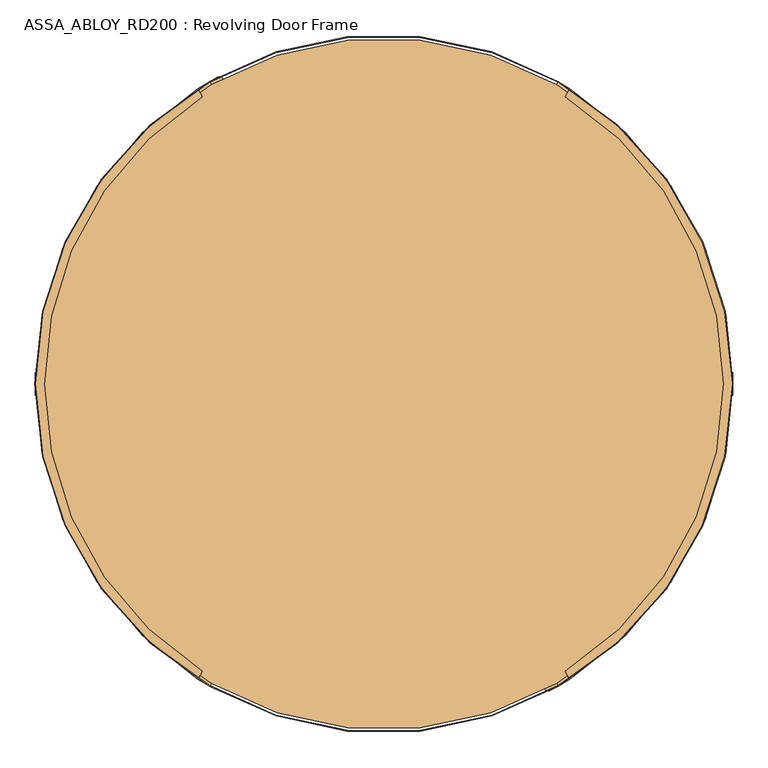
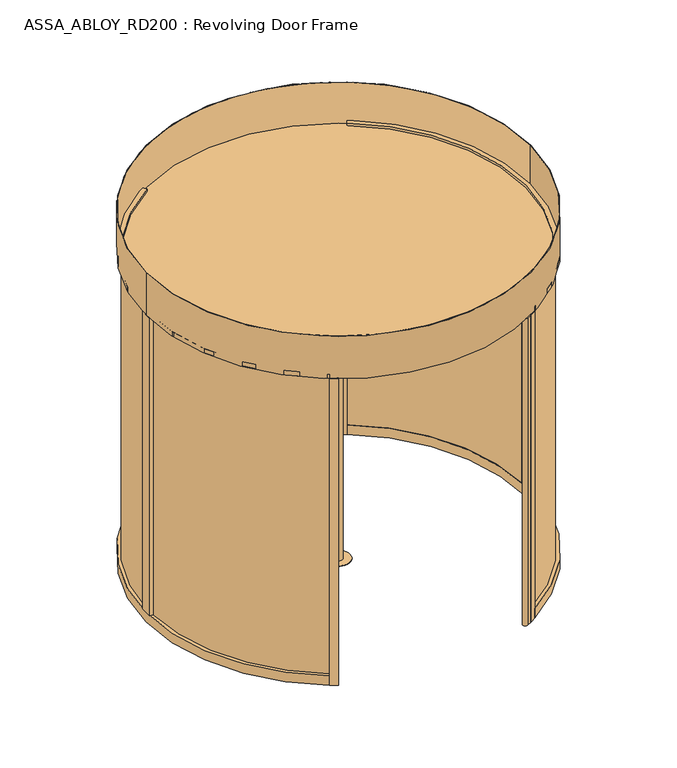
"""IFC4 building model written with IfcOpenShell, lengths in millimetres: door geometry, ASSA_ABLOY_RD200 : Revolving Door Frame."""

from ifc_helpers import new_model, si_unit, point, frame, frame_2d, origin, origin_with_axes, origin_2d, place, context, project, spatial, polyline, circle_curve, trimmed, segment, composite_curve, outline, extrude, source, transform, mapped, element, save


def assa_abloy_rd200_revolving_door_frame_5eb4bf05(model_context):
    return source(origin(), model_context, "Body", "SweptSolid", [
        extrude(outline(polyline([(28.0, -1415.4407922), (47.8848654, -1422.768158), (47.8848654, -1426.3412198), (28.0, -1433.6685856), (28.0, -1430.8463846), (33.6340452, -1428.842363), (33.6340452, -1420.2721931), (28.0, -1418.2681716), (28.0, -1415.4407922)]), holes=[polyline([(35.9539462, -1421.126621), (35.9539462, -1428.0034703), (45.4562191, -1424.5546889), (35.9539462, -1421.126621)])]), frame((0.0, -22.0, 0.0), z_axis=(0.0, 1.0, 0.0), x_axis=(0.0, 0.0, 1.0)), (0.0, 0.0, 1.0), 2.0),
        extrude(outline(polyline([(33.6858287, -1397.8758278), (36.999973, -1399.0383674), (38.7709688, -1402.505273), (39.3172847, -1405.2731013), (39.7703904, -1407.7923687), (40.8500765, -1410.1355723), (42.794547, -1410.8009903), (45.0290052, -1409.4442625), (45.8963789, -1405.8556657), (45.2361392, -1401.8761034), (43.5764779, -1398.5386566), (46.7870552, -1398.5386566), (47.804601, -1401.7466447), (48.2162799, -1405.7262069), (46.6239371, -1411.269631), (42.5408079, -1413.4523057), (39.0195296, -1412.1292372), (37.1087183, -1408.061643), (36.6685585, -1405.4931812), (36.2283987, -1403.2405988), (35.2574581, -1401.1977395), (33.3129875, -1400.5271432), (30.8946979, -1401.9330653), (29.9884865, -1405.8660224), (30.6772071, -1409.6772883), (32.6398019, -1413.4523057), (29.2790525, -1413.4523057), (28.0750861, -1409.9051357), (27.6685856, -1405.9747678), (28.147583, -1402.4949163), (29.4810082, -1399.9678813), (31.3944087, -1398.4247329), (33.6858287, -1397.8758278)])), frame((0.0, -22.0, 0.0), z_axis=(0.0, 1.0, 0.0), x_axis=(0.0, 0.0, 1.0)), (0.0, 0.0, 1.0), 2.0),
        extrude(outline(polyline([(33.6858287, -1378.9852056), (36.999973, -1380.1477453), (38.7709688, -1383.6146508), (39.3172847, -1386.3824791), (39.7703904, -1388.9017466), (40.8500765, -1391.2449501), (42.794547, -1391.9103681), (45.0290052, -1390.5536403), (45.8963789, -1386.9650435), (45.2361392, -1382.9854813), (43.5764779, -1379.6480344), (46.7870552, -1379.6480344), (47.804601, -1382.8560225), (48.2162799, -1386.8355848), (46.6239371, -1392.3790088), (42.5408079, -1394.5616835), (39.0195296, -1393.238615), (37.1087183, -1389.1710208), (36.6685585, -1386.602559), (36.2283987, -1384.3499766), (35.2574581, -1382.3071174), (33.3129875, -1381.636521), (30.8946979, -1383.0424431), (29.9884865, -1386.9754002), (30.6772071, -1390.7866661), (32.6398019, -1394.5616835), (29.2790525, -1394.5616835), (28.0750861, -1391.0145135), (27.6685856, -1387.0841456), (28.147583, -1383.6042941), (29.4810082, -1381.0772591), (31.3944087, -1379.5341107), (33.6858287, -1378.9852056)])), frame((0.0, -22.0, 0.0), z_axis=(0.0, 1.0, 0.0), x_axis=(0.0, 0.0, 1.0)), (0.0, 0.0, 1.0), 2.0),
        extrude(outline(polyline([(28.0, -1358.7689257), (47.8848654, -1366.0962915), (47.8848654, -1369.6693533), (28.0, -1376.996719), (28.0, -1374.1745181), (33.6340452, -1372.1704965), (33.6340452, -1363.6003266), (28.0, -1361.596305), (28.0, -1358.7689257)]), holes=[polyline([(35.9539462, -1364.4547544), (35.9539462, -1371.3316037), (45.4562191, -1367.8828224), (35.9539462, -1364.4547544)])]), frame((0.0, -22.0, 0.0), z_axis=(0.0, 1.0, 0.0), x_axis=(0.0, 0.0, 1.0)), (0.0, 0.0, 1.0), 2.0),
        extrude(outline(polyline([(28.0, -1330.2672852), (47.8848654, -1337.594651), (47.8848654, -1341.1677128), (28.0, -1348.4950786), (28.0, -1345.6728776), (33.6340452, -1343.668856), (33.6340452, -1335.0986861), (28.0, -1333.0946645), (28.0, -1330.2672852)]), holes=[polyline([(35.9539462, -1335.953114), (35.9539462, -1342.8299633), (45.4562191, -1339.3811819), (35.9539462, -1335.953114)])]), frame((0.0, -22.0, 0.0), z_axis=(0.0, 1.0, 0.0), x_axis=(0.0, 0.0, 1.0)), (0.0, 0.0, 1.0), 2.0),
        extrude(outline(polyline([(34.1311668, -1312.0394919), (37.561824, -1313.2097991), (39.4441543, -1316.4100196), (41.0597997, -1314.4370681), (43.4521975, -1313.696564), (45.5960346, -1314.2014532), (47.0615077, -1315.824866), (47.7269258, -1317.9402222), (47.8848654, -1321.2673123), (47.8848654, -1327.2845554), (28.0, -1327.2845554), (28.0, -1320.1177185), (28.3754304, -1316.6482237), (29.6311804, -1314.1419022), (31.5083324, -1312.6091105), (34.1311668, -1312.0394919)]), holes=[polyline([(41.5595105, -1317.6631804), (39.9309193, -1321.0498216), (39.9309193, -1324.63324), (45.5649645, -1324.63324), (45.5649645, -1321.3294525), (45.4795217, -1319.0069623), (41.5595105, -1317.6631804)]), polyline([(34.0172431, -1314.6908073), (32.3187442, -1315.0507027), (31.148437, -1316.1821722), (30.4985541, -1318.0645026), (30.319901, -1321.0083948), (30.319901, -1324.63324), (37.6110183, -1324.63324), (37.6110183, -1320.3352092), (37.5126296, -1318.0308433), (37.0828266, -1316.4203763), (35.8995735, -1315.0636485), (34.0172431, -1314.6908073)])]), frame((0.0, -22.0, 0.0), z_axis=(0.0, 1.0, 0.0), x_axis=(0.0, 0.0, 1.0)), (0.0, 0.0, 1.0), 2.0),
        extrude(outline(polyline([(28.0, -1295.8001851), (30.319901, -1295.8001851), (30.319901, -1305.7426179), (47.8848654, -1305.7426179), (47.8848654, -1308.3939332), (28.0, -1308.3939332), (28.0, -1295.8001851)])), frame((0.0, -22.0, 0.0), z_axis=(0.0, 1.0, 0.0), x_axis=(0.0, 0.0, 1.0)), (0.0, 0.0, 1.0), 2.0),
        extrude(outline(polyline([(45.5390727, -1278.3905712), (47.5197917, -1281.2464314), (48.2162799, -1285.0343947), (47.5275593, -1288.7861095), (45.5390727, -1291.6678615), (42.2611769, -1293.5113543), (37.9372544, -1294.143113), (33.5770834, -1293.5035867), (30.3561494, -1291.6782182), (28.3573062, -1288.7990554), (27.6685856, -1285.0343947), (28.3443603, -1281.2593773), (30.3561494, -1278.3905712), (33.571905, -1276.5677918), (37.9372544, -1275.9153197), (42.292247, -1276.554846), (45.5390727, -1278.3905712)]), holes=[polyline([(37.9372544, -1278.5666351), (32.0339349, -1280.3169175), (29.9884865, -1285.024038), (32.0339349, -1289.7337477), (37.9372544, -1291.4917976), (43.8250388, -1289.7674069), (45.8963789, -1285.024038), (43.8250388, -1280.2962041), (37.9372544, -1278.5666351)])]), frame((0.0, -22.0, 0.0), z_axis=(0.0, 1.0, 0.0), x_axis=(0.0, 0.0, 1.0)), (0.0, 0.0, 1.0), 2.0),
        extrude(outline(polyline([(47.8848654, -1257.0246975), (47.8848654, -1260.1938479), (38.9884595, -1265.6259375), (47.8848654, -1271.1149889), (47.8848654, -1274.2582476), (36.4407111, -1266.9671302), (28.0, -1266.9671302), (28.0, -1264.3158148), (36.720342, -1264.3158148), (47.8848654, -1257.0246975)])), frame((0.0, -22.0, 0.0), z_axis=(0.0, 1.0, 0.0), x_axis=(0.0, 0.0, 1.0)), (0.0, 0.0, 1.0), 2.0),
        extrude(outline(polyline([(28.0, -1275.9153197), (28.0, -1273.0879404), (33.6340452, -1271.0839188), (33.6340452, -1262.5137489), (28.0, -1260.5097273), (28.0, -1257.6875264), (47.8848654, -1265.0148921), (47.8848654, -1268.5879539), (28.0, -1275.9153197)]), holes=[polyline([(35.9539462, -1270.229491), (45.4562191, -1266.801423), (35.9539462, -1263.3526417), (35.9539462, -1270.229491)])]), frame((0.0, 20.0, 0.0), z_axis=(0.0, 1.0, 0.0), x_axis=(0.0, 0.0, 1.0)), (0.0, 0.0, 1.0), 2.0),
        extrude(outline(polyline([(33.6858287, -1293.4802842), (31.3944087, -1292.931379), (29.4810082, -1291.3882306), (28.147583, -1288.8611956), (27.6685856, -1285.3813442), (28.0750861, -1281.4509762), (29.2790525, -1277.9038062), (32.6398019, -1277.9038062), (30.6772071, -1281.6788237), (29.9884865, -1285.4900895), (30.8946979, -1289.4230466), (33.3129875, -1290.8289688), (35.2574581, -1290.1583724), (36.2283987, -1288.1155132), (36.6685585, -1285.8629308), (37.1087183, -1283.294469), (39.0195296, -1279.2268747), (42.5408079, -1277.9038062), (46.6239371, -1280.0864809), (48.2162799, -1285.629905), (47.804601, -1289.6094673), (46.7870552, -1292.8174553), (43.5764779, -1292.8174553), (45.2361392, -1289.4800085), (45.8963789, -1285.5004462), (45.0290052, -1281.9118494), (42.794547, -1280.5551216), (40.8500765, -1281.2205396), (39.7703904, -1283.5637432), (39.3172847, -1286.0830106), (38.7709688, -1288.8508389), (36.999973, -1292.3177445), (33.6858287, -1293.4802842)])), frame((0.0, 20.0, 0.0), z_axis=(0.0, 1.0, 0.0), x_axis=(0.0, 0.0, 1.0)), (0.0, 0.0, 1.0), 2.0),
        extrude(outline(polyline([(33.6858287, -1312.3709063), (31.3944087, -1311.8220012), (29.4810082, -1310.2788528), (28.147583, -1307.7518178), (27.6685856, -1304.2719663), (28.0750861, -1300.3415984), (29.2790525, -1296.7944284), (32.6398019, -1296.7944284), (30.6772071, -1300.5694458), (29.9884865, -1304.3807117), (30.8946979, -1308.3136688), (33.3129875, -1309.7195909), (35.2574581, -1309.0489946), (36.2283987, -1307.0061353), (36.6685585, -1304.7535529), (37.1087183, -1302.1850911), (39.0195296, -1298.1174969), (42.5408079, -1296.7944284), (46.6239371, -1298.9771031), (48.2162799, -1304.5205272), (47.804601, -1308.5000894), (46.7870552, -1311.7080775), (43.5764779, -1311.7080775), (45.2361392, -1308.3706307), (45.8963789, -1304.3910684), (45.0290052, -1300.8024716), (42.794547, -1299.4457438), (40.8500765, -1300.1111618), (39.7703904, -1302.4543654), (39.3172847, -1304.9736328), (38.7709688, -1307.7414611), (36.999973, -1311.2083667), (33.6858287, -1312.3709063)])), frame((0.0, 20.0, 0.0), z_axis=(0.0, 1.0, 0.0), x_axis=(0.0, 0.0, 1.0)), (0.0, 0.0, 1.0), 2.0),
        extrude(outline(polyline([(28.0, -1332.5871862), (28.0, -1329.7598069), (33.6340452, -1327.7557853), (33.6340452, -1319.1856154), (28.0, -1317.1815938), (28.0, -1314.3593929), (47.8848654, -1321.6867587), (47.8848654, -1325.2598204), (28.0, -1332.5871862)]), holes=[polyline([(35.9539462, -1326.9013575), (45.4562191, -1323.4732895), (35.9539462, -1320.0245082), (35.9539462, -1326.9013575)])]), frame((0.0, 20.0, 0.0), z_axis=(0.0, 1.0, 0.0), x_axis=(0.0, 0.0, 1.0)), (0.0, 0.0, 1.0), 2.0),
        extrude(outline(polyline([(28.0, -1361.0888267), (28.0, -1358.2614474), (33.6340452, -1356.2574258), (33.6340452, -1347.6872559), (28.0, -1345.6832343), (28.0, -1342.8610334), (47.8848654, -1350.1883991), (47.8848654, -1353.7614609), (28.0, -1361.0888267)]), holes=[polyline([(35.9539462, -1355.402998), (45.4562191, -1351.97493), (35.9539462, -1348.5261487), (35.9539462, -1355.402998)])]), frame((0.0, 20.0, 0.0), z_axis=(0.0, 1.0, 0.0), x_axis=(0.0, 0.0, 1.0)), (0.0, 0.0, 1.0), 2.0),
        extrude(outline(polyline([(34.1311668, -1379.31662), (31.5083324, -1378.7470015), (29.6311804, -1377.2142098), (28.3754304, -1374.7078882), (28.0, -1371.2383934), (28.0, -1364.0715565), (47.8848654, -1364.0715565), (47.8848654, -1370.0887996), (47.7269258, -1373.4158898), (47.0615077, -1375.5312459), (45.5960346, -1377.1546587), (43.4521975, -1377.6595479), (41.0597997, -1376.9190438), (39.4441543, -1374.9460923), (37.561824, -1378.1463128), (34.1311668, -1379.31662)]), holes=[polyline([(41.5595105, -1373.6929315), (45.4795217, -1372.3491496), (45.5649645, -1370.0266594), (45.5649645, -1366.7228719), (39.9309193, -1366.7228719), (39.9309193, -1370.3062904), (41.5595105, -1373.6929315)]), polyline([(34.0172431, -1376.6653046), (35.8995735, -1376.2924634), (37.0828266, -1374.9357356), (37.5126296, -1373.3252686), (37.6110183, -1371.0209027), (37.6110183, -1366.7228719), (30.319901, -1366.7228719), (30.319901, -1370.3477172), (30.4985541, -1373.2916094), (31.148437, -1375.1739397), (32.3187442, -1376.3054093), (34.0172431, -1376.6653046)])]), frame((0.0, 20.0, 0.0), z_axis=(0.0, 1.0, 0.0), x_axis=(0.0, 0.0, 1.0)), (0.0, 0.0, 1.0), 2.0),
        extrude(outline(polyline([(28.0, -1395.5559268), (28.0, -1382.9621787), (47.8848654, -1382.9621787), (47.8848654, -1385.6134941), (30.319901, -1385.6134941), (30.319901, -1395.5559268), (28.0, -1395.5559268)])), frame((0.0, 20.0, 0.0), z_axis=(0.0, 1.0, 0.0), x_axis=(0.0, 0.0, 1.0)), (0.0, 0.0, 1.0), 2.0),
        extrude(outline(polyline([(45.5390727, -1412.9655408), (42.292247, -1414.801266), (37.9372544, -1415.4407922), (33.571905, -1414.7883201), (30.3561494, -1412.9655408), (28.3443603, -1410.0967347), (27.6685856, -1406.3217172), (28.3573062, -1402.5570565), (30.3561494, -1399.6778937), (33.5770834, -1397.8525252), (37.9372544, -1397.2129989), (42.2611769, -1397.8447577), (45.5390727, -1399.6882504), (47.5275593, -1402.5700024), (48.2162799, -1406.3217172), (47.5197917, -1410.1096805), (45.5390727, -1412.9655408)]), holes=[polyline([(37.9372544, -1412.7894769), (43.8250388, -1411.0599078), (45.8963789, -1406.3320739), (43.8250388, -1401.588705), (37.9372544, -1399.8643143), (32.0339349, -1401.6223643), (29.9884865, -1406.3320739), (32.0339349, -1411.0391944), (37.9372544, -1412.7894769)])]), frame((0.0, 20.0, 0.0), z_axis=(0.0, 1.0, 0.0), x_axis=(0.0, 0.0, 1.0)), (0.0, 0.0, 1.0), 2.0),
        extrude(outline(polyline([(47.8848654, -1434.3314144), (36.720342, -1427.0402971), (28.0, -1427.0402971), (28.0, -1424.3889817), (36.4407111, -1424.3889817), (47.8848654, -1417.0978644), (47.8848654, -1420.241123), (38.9884595, -1425.7301744), (47.8848654, -1431.162264), (47.8848654, -1434.3314144)])), frame((0.0, 20.0, 0.0), z_axis=(0.0, 1.0, 0.0), x_axis=(0.0, 0.0, 1.0)), (0.0, 0.0, 1.0), 2.0),
        extrude(outline(composite_curve([segment(polyline([(-750.0, 1299.0381057), (-770.0, 1333.6791218)]), True, "CONTINUOUS"), segment(trimmed(circle_curve(origin_2d(), 1540.0), [point((-770.0, 1333.6791218))], [point((-735.0991998, 1353.2291626))], False, "CARTESIAN"), True, "CONTINUOUS"), segment(trimmed(circle_curve(frame_2d((-725.5459259, 1335.642735)), 20.0136823), [point((-735.0991998, 1353.2291626))], [point((-715.0922698, 1318.5761433))], False, "CARTESIAN"), True, "CONTINUOUS"), segment(trimmed(circle_curve(origin_2d(), 1500.0), [point((-715.0922698, 1318.5761433))], [point((-750.0, 1299.0381057))], True, "CARTESIAN"), True, "CONTINUOUS")], self_intersect=False)), origin_with_axes(), (0.0, 0.0, 1.0), 2600.0),
        extrude(outline(composite_curve([segment(polyline([(750.0, -1299.0381057), (770.0, -1333.6791218)]), True, "CONTINUOUS"), segment(trimmed(circle_curve(origin_2d(), 1540.0), [point((770.0, -1333.6791218))], [point((735.0991998, -1353.2291626))], False, "CARTESIAN"), True, "CONTINUOUS"), segment(trimmed(circle_curve(frame_2d((725.5459259, -1335.642735)), 20.0136823), [point((735.0991998, -1353.2291626))], [point((715.0922698, -1318.5761433))], False, "CARTESIAN"), True, "CONTINUOUS"), segment(trimmed(circle_curve(origin_2d(), 1500.0), [point((715.0922698, -1318.5761433))], [point((750.0, -1299.0381057))], True, "CARTESIAN"), True, "CONTINUOUS")], self_intersect=False)), origin_with_axes(), (0.0, 0.0, 1.0), 2600.0),
        extrude(outline(composite_curve([segment(trimmed(circle_curve(origin_2d(), 1526.0), [point((-1526.0, 0.0))], [point((1526.0, 0.0))], False, "CARTESIAN"), True, "CONTINUOUS"), segment(trimmed(circle_curve(origin_2d(), 1526.0), [point((1526.0, 0.0))], [point((-1526.0, 0.0))], False, "CARTESIAN"), True, "CONTINUOUS")], self_intersect=False)), frame((0.0, 0.0, 2600.0), z_axis=(0.0, 0.0, 1.0), x_axis=(1.0, 0.0, 0.0)), (0.0, 0.0, 1.0), 16.0),
        extrude(outline(composite_curve([segment(polyline([(-821.3768867, 1302.4599245), (-801.361284, 1267.7918838)]), True, "CONTINUOUS"), segment(trimmed(circle_curve(frame_2d((0.0, -0.2065754)), 1500.0), [point((-801.361284, 1267.7918838))], [point((-801.361284, -1268.2050346))], True, "CARTESIAN"), True, "CONTINUOUS"), segment(polyline([(-801.361284, -1268.2050346), (-821.3768867, -1302.8730753)]), True, "CONTINUOUS"), segment(trimmed(circle_curve(frame_2d((0.0, -0.2065754)), 1540.0), [point((-821.3768867, -1302.8730753))], [point((-821.3768867, 1302.4599245))], False, "CARTESIAN"), True, "CONTINUOUS")], self_intersect=False)), frame((0.0, 0.0, 2603.0), z_axis=(0.0, 0.0, 1.0), x_axis=(1.0, 0.0, 0.0)), (0.0, 0.0, 1.0), 35.0),
        extrude(outline(composite_curve([segment(polyline([(-821.3768867, -1302.8730753), (-801.361284, -1268.2050346)]), True, "CONTINUOUS"), segment(trimmed(circle_curve(frame_2d((0.0, -0.2065754)), 1500.0), [point((-801.361284, -1268.2050346))], [point((-750.0, -1299.2446811))], True, "CARTESIAN"), True, "CONTINUOUS"), segment(polyline([(-750.0, -1299.2446811), (-770.0, -1333.8856972)]), True, "CONTINUOUS"), segment(trimmed(circle_curve(frame_2d((0.0, -0.2065754)), 1540.0), [point((-770.0, -1333.8856972))], [point((-821.3768867, -1302.8730753))], False, "CARTESIAN"), True, "CONTINUOUS")], self_intersect=False)), frame((0.0, 0.0, 3.0), z_axis=(0.0, 0.0, 1.0), x_axis=(1.0, 0.0, 0.0)), (0.0, 0.0, 1.0), 2600.0),
        extrude(outline(composite_curve([segment(polyline([(-770.0, 1333.4725464), (-750.0, 1298.8315303)]), True, "CONTINUOUS"), segment(trimmed(circle_curve(frame_2d((0.0, -0.2065754)), 1500.0), [point((-750.0, 1298.8315303))], [point((-801.361284, 1267.7918838))], True, "CARTESIAN"), True, "CONTINUOUS"), segment(polyline([(-801.361284, 1267.7918838), (-821.3768867, 1302.4599245)]), True, "CONTINUOUS"), segment(trimmed(circle_curve(frame_2d((0.0, -0.2065754)), 1540.0), [point((-821.3768867, 1302.4599245))], [point((-770.0, 1333.4725464))], False, "CARTESIAN"), True, "CONTINUOUS")], self_intersect=False)), frame((0.0, 0.0, 3.0), z_axis=(0.0, 0.0, 1.0), x_axis=(1.0, 0.0, 0.0)), (0.0, 0.0, 1.0), 2600.0),
        extrude(outline(composite_curve([segment(polyline([(-1512.1736011, -50.2065754), (-1504.1692059, -50.2065754)]), True, "CONTINUOUS"), segment(trimmed(circle_curve(frame_2d((0.0, -0.2065754)), 1505.0), [point((-1504.1692059, -50.2065754))], [point((-803.8632798, -1272.5386183))], True, "CARTESIAN"), True, "CONTINUOUS"), segment(polyline([(-803.8632798, -1272.5386183), (-807.8664455, -1279.4723047)]), True, "CONTINUOUS"), segment(trimmed(circle_curve(frame_2d((0.0, -0.2065754)), 1513.0), [point((-807.8664455, -1279.4723047))], [point((-1512.1736011, -50.2065754))], False, "CARTESIAN"), True, "CONTINUOUS")], self_intersect=False)), frame((0.0, 0.0, 83.0), z_axis=(0.0, 0.0, 1.0), x_axis=(1.0, 0.0, 0.0)), (0.0, 0.0, 1.0), 2520.0),
        extrude(outline(composite_curve([segment(polyline([(-807.8664455, 1279.0591539), (-803.8632798, 1272.1254675)]), True, "CONTINUOUS"), segment(trimmed(circle_curve(frame_2d((0.0, -0.2065754)), 1505.0), [point((-803.8632798, 1272.1254675))], [point((-1504.1692059, 49.7934246))], True, "CARTESIAN"), True, "CONTINUOUS"), segment(polyline([(-1504.1692059, 49.7934246), (-1512.1736011, 49.7934246)]), True, "CONTINUOUS"), segment(trimmed(circle_curve(frame_2d((0.0, -0.2065754)), 1513.0), [point((-1512.1736011, 49.7934246))], [point((-807.8664455, 1279.0591539))], False, "CARTESIAN"), True, "CONTINUOUS")], self_intersect=False)), frame((0.0, 0.0, 83.0), z_axis=(0.0, 0.0, 1.0), x_axis=(1.0, 0.0, 0.0)), (0.0, 0.0, 1.0), 2520.0),
        extrude(outline(polyline([(-1540.0, -50.2065754), (-1540.0, 49.7934246), (-1500.0, 49.7934246), (-1500.0, -50.2065754), (-1540.0, -50.2065754)])), frame((0.0, 0.0, 83.0), z_axis=(0.0, 0.0, 1.0), x_axis=(1.0, 0.0, 0.0)), (0.0, 0.0, 1.0), 2520.0),
        extrude(outline(composite_curve([segment(polyline([(-821.3768867, 1302.4599245), (-801.361284, 1267.7918838)]), True, "CONTINUOUS"), segment(trimmed(circle_curve(frame_2d((0.0, -0.2065754)), 1500.0), [point((-801.361284, 1267.7918838))], [point((-801.361284, -1268.2050346))], True, "CARTESIAN"), True, "CONTINUOUS"), segment(polyline([(-801.361284, -1268.2050346), (-821.3768867, -1302.8730753)]), True, "CONTINUOUS"), segment(trimmed(circle_curve(frame_2d((0.0, -0.2065754)), 1540.0), [point((-821.3768867, -1302.8730753))], [point((-821.3768867, 1302.4599245))], False, "CARTESIAN"), True, "CONTINUOUS")], self_intersect=False)), frame((0.0, 0.0, 3.0), z_axis=(0.0, 0.0, 1.0), x_axis=(1.0, 0.0, 0.0)), (0.0, 0.0, 1.0), 80.0),
        extrude(outline(composite_curve([segment(trimmed(circle_curve(origin_2d(), 1540.0), [point((821.3768867, 1302.6664999))], [point((821.3768867, -1302.6664999))], False, "CARTESIAN"), True, "CONTINUOUS"), segment(polyline([(821.3768867, -1302.6664999), (801.361284, -1267.9984592)]), True, "CONTINUOUS"), segment(trimmed(circle_curve(origin_2d(), 1500.0), [point((801.361284, -1267.9984592))], [point((801.361284, 1267.9984592))], True, "CARTESIAN"), True, "CONTINUOUS"), segment(polyline([(801.361284, 1267.9984592), (821.3768867, 1302.6664999)]), True, "CONTINUOUS")], self_intersect=False)), frame((0.0, 0.0, 2600.0), z_axis=(0.0, 0.0, 1.0), x_axis=(1.0, 0.0, 0.0)), (0.0, 0.0, 1.0), 35.0),
        extrude(outline(composite_curve([segment(trimmed(circle_curve(origin_2d(), 1540.0), [point((821.3768867, -1302.6664999))], [point((770.0, -1333.6791218))], False, "CARTESIAN"), True, "CONTINUOUS"), segment(polyline([(770.0, -1333.6791218), (750.0, -1299.0381057)]), True, "CONTINUOUS"), segment(trimmed(circle_curve(origin_2d(), 1500.0), [point((750.0, -1299.0381057))], [point((801.361284, -1267.9984592))], True, "CARTESIAN"), True, "CONTINUOUS"), segment(polyline([(801.361284, -1267.9984592), (821.3768867, -1302.6664999)]), True, "CONTINUOUS")], self_intersect=False)), origin_with_axes(), (0.0, 0.0, 1.0), 2600.0),
        extrude(outline(composite_curve([segment(trimmed(circle_curve(origin_2d(), 1540.0), [point((770.0, 1333.6791218))], [point((821.3768867, 1302.6664999))], False, "CARTESIAN"), True, "CONTINUOUS"), segment(polyline([(821.3768867, 1302.6664999), (801.361284, 1267.9984592)]), True, "CONTINUOUS"), segment(trimmed(circle_curve(origin_2d(), 1500.0), [point((801.361284, 1267.9984592))], [point((750.0, 1299.0381057))], True, "CARTESIAN"), True, "CONTINUOUS"), segment(polyline([(750.0, 1299.0381057), (770.0, 1333.6791218)]), True, "CONTINUOUS")], self_intersect=False)), origin_with_axes(), (0.0, 0.0, 1.0), 2600.0),
        extrude(outline(composite_curve([segment(trimmed(circle_curve(origin_2d(), 1513.0), [point((1512.1736011, -50.0))], [point((807.8664455, -1279.2657293))], False, "CARTESIAN"), True, "CONTINUOUS"), segment(polyline([(807.8664455, -1279.2657293), (803.8632798, -1272.3320429)]), True, "CONTINUOUS"), segment(trimmed(circle_curve(origin_2d(), 1505.0), [point((803.8632798, -1272.3320429))], [point((1504.1692059, -50.0))], True, "CARTESIAN"), True, "CONTINUOUS"), segment(polyline([(1504.1692059, -50.0), (1512.1736011, -50.0)]), True, "CONTINUOUS")], self_intersect=False)), frame((0.0, 0.0, 80.0), z_axis=(0.0, 0.0, 1.0), x_axis=(1.0, 0.0, 0.0)), (0.0, 0.0, 1.0), 2520.0),
        extrude(outline(composite_curve([segment(trimmed(circle_curve(origin_2d(), 1513.0), [point((807.8664455, 1279.2657293))], [point((1512.1736011, 50.0))], False, "CARTESIAN"), True, "CONTINUOUS"), segment(polyline([(1512.1736011, 50.0), (1504.1692059, 50.0)]), True, "CONTINUOUS"), segment(trimmed(circle_curve(origin_2d(), 1505.0), [point((1504.1692059, 50.0))], [point((803.8632798, 1272.3320429))], True, "CARTESIAN"), True, "CONTINUOUS"), segment(polyline([(803.8632798, 1272.3320429), (807.8664455, 1279.2657293)]), True, "CONTINUOUS")], self_intersect=False)), frame((0.0, 0.0, 80.0), z_axis=(0.0, 0.0, 1.0), x_axis=(1.0, 0.0, 0.0)), (0.0, 0.0, 1.0), 2520.0),
        extrude(outline(polyline([(1540.0, -50.0), (1500.0, -50.0), (1500.0, 50.0), (1540.0, 50.0), (1540.0, -50.0)])), frame((0.0, 0.0, 80.0), z_axis=(0.0, 0.0, 1.0), x_axis=(1.0, 0.0, 0.0)), (0.0, 0.0, 1.0), 2520.0),
        extrude(outline(composite_curve([segment(trimmed(circle_curve(origin_2d(), 1540.0), [point((821.3768867, 1302.6664999))], [point((821.3768867, -1302.6664999))], False, "CARTESIAN"), True, "CONTINUOUS"), segment(polyline([(821.3768867, -1302.6664999), (801.361284, -1267.9984592)]), True, "CONTINUOUS"), segment(trimmed(circle_curve(origin_2d(), 1500.0), [point((801.361284, -1267.9984592))], [point((801.361284, 1267.9984592))], True, "CARTESIAN"), True, "CONTINUOUS"), segment(polyline([(801.361284, 1267.9984592), (821.3768867, 1302.6664999)]), True, "CONTINUOUS")], self_intersect=False)), origin_with_axes(), (0.0, 0.0, 1.0), 80.0),
        extrude(outline(composite_curve([segment(trimmed(circle_curve(origin_2d(), 1541.0), [point((-1541.0, 0.0))], [point((1541.0, 0.0))], False, "CARTESIAN"), True, "CONTINUOUS"), segment(trimmed(circle_curve(origin_2d(), 1541.0), [point((1541.0, 0.0))], [point((-1541.0, 0.0))], False, "CARTESIAN"), True, "CONTINUOUS")], self_intersect=False), holes=[composite_curve([segment(trimmed(circle_curve(origin_2d(), 1537.0), [point((-1537.0, 0.0))], [point((1537.0, 0.0))], True, "CARTESIAN"), True, "CONTINUOUS"), segment(trimmed(circle_curve(origin_2d(), 1537.0), [point((1537.0, 0.0))], [point((-1537.0, 0.0))], True, "CARTESIAN"), True, "CONTINUOUS")], self_intersect=False)]), frame((0.0, 0.0, 2600.0), z_axis=(0.0, 0.0, 1.0), x_axis=(1.0, 0.0, 0.0)), (0.0, 0.0, 1.0), 360.0),
        extrude(outline(composite_curve([segment(trimmed(circle_curve(origin_2d(), 34.0), [point((-34.0, 0.0))], [point((34.0, 0.0))], False, "CARTESIAN"), True, "CONTINUOUS"), segment(trimmed(circle_curve(origin_2d(), 34.0), [point((34.0, 0.0))], [point((-34.0, 0.0))], False, "CARTESIAN"), True, "CONTINUOUS")], self_intersect=False)), origin_with_axes(), (0.0, 0.0, 1.0), 2600.0),
        extrude(outline(composite_curve([segment(trimmed(circle_curve(origin_2d(), 94.0), [point((-94.0, 0.0))], [point((94.0, 0.0))], False, "CARTESIAN"), True, "CONTINUOUS"), segment(trimmed(circle_curve(origin_2d(), 94.0), [point((94.0, 0.0))], [point((-94.0, 0.0))], False, "CARTESIAN"), True, "CONTINUOUS")], self_intersect=False)), origin_with_axes(), (0.0, 0.0, 1.0), 3.0),
    ])


if __name__ == "__main__":
    model = new_model("IFC4")
    model_context = context("Model", 3, world=origin())
    ifc_project = project(units=[si_unit("LENGTHUNIT", "METRE", prefix="MILLI")], contexts=[model_context])
    site = spatial("IfcSite", under=ifc_project)
    building = spatial("IfcBuilding", under=site)
    placement = place(None, origin())
    assa_abloy_rd200_revolving_door_frame_shape = assa_abloy_rd200_revolving_door_frame_5eb4bf05(model_context)
    element("IfcDoor", 1, ObjectType="ASSA_ABLOY_RD200 : Revolving Door Frame", at=placement, inside=building, context=model_context, shape_type="MappedRepresentation", body=[
        mapped(assa_abloy_rd200_revolving_door_frame_shape, transform((0.0, 0.0, 0.0), x_axis=(1.0, 0.0, 0.0), y_axis=(0.0, 1.0, 0.0), z_axis=(0.0, 0.0, 1.0))),
    ])
    save(model, "model.ifc")
